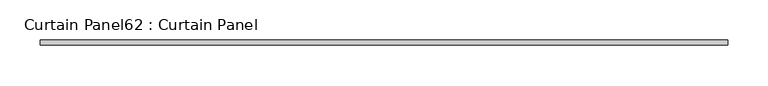
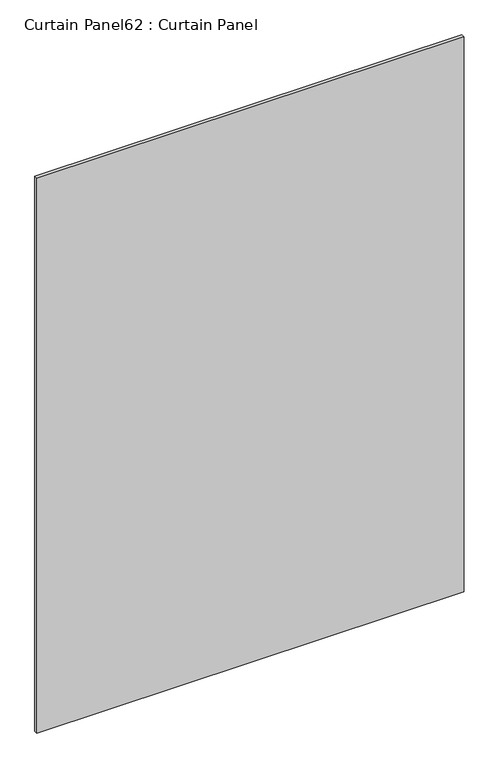
"""IFC4 building model written with IfcOpenShell, lengths in millimetres: plate geometry, Curtain Panel62 : Curtain Panel."""

import ifcopenshell
import ifcopenshell.guid

model = None  # the IFC model being written
_history = None  # IfcOwnerHistory: only IFC2X3 demands one
_inside = {}  # id of a spatial element -> (the spatial element, [elements in it])
_under = {}  # id of a project, library or spatial element -> (it, [spatial elements below it])
_declared = {}  # id of a project -> (the project, [libraries it declares])
_typed = {}  # id of a type object -> (the type object, [elements of that type])
_made_of = {}  # id of a material, layer set ... -> (it, [elements and type objects made of it])


def new_model(schema):
    """Start an empty IFC model of exactly this schema.

    Asked for "IFC4X3", IfcOpenShell would pick the latest addendum, in which some entities
    have other attributes; the version numbers below select the first issue.
    IFC2X3 requires an IfcOwnerHistory on every rooted entity: one is made here for all.
    """
    global model, _history
    if schema == "IFC4X3":
        model = ifcopenshell.file(schema_version=(4, 3, 0, 0))
    else:
        model = ifcopenshell.file(schema=schema)
    _inside.clear()
    _under.clear()
    _declared.clear()
    _typed.clear()
    _made_of.clear()
    _history = None
    if model.schema == "IFC2X3":
        org = make("IfcOrganization", Name="unknown")
        user = make(
            "IfcPersonAndOrganization",
            ThePerson=make("IfcPerson", FamilyName="unknown"),
            TheOrganization=org,
        )
        app = make(
            "IfcApplication",
            ApplicationDeveloper=org,
            Version="unknown",
            ApplicationFullName="unknown",
            ApplicationIdentifier="unknown",
        )
        _history = make(
            "IfcOwnerHistory",
            OwningUser=user,
            OwningApplication=app,
            ChangeAction="ADDED",
            CreationDate=0,
        )
    return model


def make(cls, **values):
    """One entity of the class cls with the attributes given. An attribute that is None is left unset."""
    return model.create_entity(
        cls, **{name: value for name, value in values.items() if value is not None}
    )


def rooted(cls, **values):
    """An entity with a GlobalId (a new one), such as an element, a storey or a relation."""
    return make(cls, GlobalId=ifcopenshell.guid.new(), OwnerHistory=_history, **values)


def si_unit(unit_type, name, prefix=None):
    """IfcSIUnit, for example si_unit("LENGTHUNIT", "METRE", prefix="MILLI")."""
    return make("IfcSIUnit", UnitType=unit_type, Prefix=prefix, Name=name)


def assignment(units):
    """IfcUnitAssignment: the units of a project."""
    return None if units is None else make("IfcUnitAssignment", Units=units)


def point(xyz):
    """IfcCartesianPoint."""
    return None if xyz is None else make("IfcCartesianPoint", Coordinates=xyz)


def direction(xyz):
    """IfcDirection."""
    return None if xyz is None else make("IfcDirection", DirectionRatios=xyz)


def frame(location, z_axis=None, x_axis=None):
    """IfcAxis2Placement3D, a coordinate frame: its origin and axes. An axis left out is left unset."""
    return make(
        "IfcAxis2Placement3D",
        Location=point(location),
        Axis=direction(z_axis),
        RefDirection=direction(x_axis),
    )


def origin():
    """The frame at (0, 0, 0) with its axes left unset."""
    return frame((0.0, 0.0, 0.0))


def place(relative_to, where):
    """IfcLocalPlacement: puts the frame where relative to a parent placement (None: the world)."""
    return make(
        "IfcLocalPlacement", PlacementRelTo=relative_to, RelativePlacement=where
    )


def context(
    kind, dimensions, precision=None, world=None, true_north=None, identifier=None
):
    """IfcGeometricRepresentationContext, for example the 3D "Model" context."""
    return make(
        "IfcGeometricRepresentationContext",
        ContextIdentifier=identifier,
        ContextType=kind,
        CoordinateSpaceDimension=dimensions,
        Precision=precision,
        WorldCoordinateSystem=world,
        TrueNorth=true_north,
    )


def project(units=None, contexts=None):
    """IfcProject with its units and contexts."""
    return rooted(
        "IfcProject",
        Name="project",
        RepresentationContexts=contexts,
        UnitsInContext=assignment(units),
    )


def spatial(cls, under=None, at=None, **own):
    """A site, building, storey or space (cls), placed at a placement, below another one or the project."""
    s = rooted(cls, ObjectPlacement=at, **own)
    if under is not None:
        _under.setdefault(under.id(), (under, []))[1].append(s)
    return s


def polyline(points):
    """IfcPolyline through the points."""
    return make("IfcPolyline", Points=[point(p) for p in points])


def outline(outer, holes=None, kind="AREA"):
    """IfcArbitraryClosedProfileDef: a profile drawn as a closed curve; with holes, ...WithVoids."""
    if holes is None:
        return make("IfcArbitraryClosedProfileDef", ProfileType=kind, OuterCurve=outer)
    return make(
        "IfcArbitraryProfileDefWithVoids",
        ProfileType=kind,
        OuterCurve=outer,
        InnerCurves=holes,
    )


def extrude(swept, where, along, depth):
    """IfcExtrudedAreaSolid: the profile swept, set in the frame where, extruded along a direction by depth."""
    return make(
        "IfcExtrudedAreaSolid",
        SweptArea=swept,
        Position=where,
        ExtrudedDirection=direction(along),
        Depth=depth,
    )


def shape(context_of_items, identifier, shape_type, items):
    """IfcShapeRepresentation: the items that make up one representation, for example the "Body"."""
    return make(
        "IfcShapeRepresentation",
        ContextOfItems=context_of_items,
        RepresentationIdentifier=identifier,
        RepresentationType=shape_type,
        Items=items,
    )


def source(mapping_origin, context_of_items, identifier, shape_type, items):
    """IfcRepresentationMap: a shape defined once, which mapped items show again and again."""
    return make(
        "IfcRepresentationMap",
        MappingOrigin=mapping_origin,
        MappedRepresentation=shape(context_of_items, identifier, shape_type, items),
    )


def transform(
    local_origin,
    x_axis=None,
    y_axis=None,
    z_axis=None,
    scale=None,
    scale2=None,
    scale3=None,
    uniform=True,
):
    """IfcCartesianTransformationOperator3D, or its non-uniform kind. x_axis, y_axis, z_axis: its Axis1, 2, 3."""
    if uniform:
        return make(
            "IfcCartesianTransformationOperator3D",
            Axis1=direction(x_axis),
            Axis2=direction(y_axis),
            LocalOrigin=point(local_origin),
            Scale=scale,
            Axis3=direction(z_axis),
        )
    return make(
        "IfcCartesianTransformationOperator3DnonUniform",
        Axis1=direction(x_axis),
        Axis2=direction(y_axis),
        LocalOrigin=point(local_origin),
        Scale=scale,
        Axis3=direction(z_axis),
        Scale2=scale2,
        Scale3=scale3,
    )


def mapped(mapping_source, mapping_target):
    """IfcMappedItem: shows the shape of a source again, moved by a transform."""
    return make(
        "IfcMappedItem", MappingSource=mapping_source, MappingTarget=mapping_target
    )


def made_of(thing, what):
    """Note that an element or type object is made of a material, layer set ...; save() writes the relation."""
    if what is not None:
        _made_of.setdefault(what.id(), (what, []))[1].append(thing)
    return thing


def element(
    cls,
    number,
    at=None,
    inside=None,
    cuts=None,
    type_object=None,
    material=None,
    context=None,
    identifier="Body",
    shape_type=None,
    held_by="IfcProductDefinitionShape",
    body=None,
    shapes=None,
    **own,
):
    """One element of the class cls, such as IfcWall. Its Tag is "e" and its number.

    at: its placement. inside: the storey or other place that contains it. cuts: it is an
    opening in that element (IfcRelVoidsElement). A single representation is given by context,
    identifier, shape_type and body (its items); several are given by shapes. held_by: the class
    of the entity that holds the representations. save() writes the other relations.
    """
    e = rooted(cls, Tag="e%d" % number, ObjectPlacement=at, **own)
    if body is not None:
        shapes = [shape(context, identifier, shape_type, body)]
    if shapes is not None:
        e.Representation = make(held_by, Representations=shapes)
    if inside is not None:
        _inside.setdefault(inside.id(), (inside, []))[1].append(e)
    if cuts is not None:
        rooted(
            "IfcRelVoidsElement", RelatingBuildingElement=cuts, RelatedOpeningElement=e
        )
    if type_object is not None:
        _typed.setdefault(type_object.id(), (type_object, []))[1].append(e)
    return made_of(e, material)


def aggregate(whole, parts):
    """IfcRelAggregates: a whole, such as a stair, and the parts it consists of."""
    return rooted("IfcRelAggregates", RelatingObject=whole, RelatedObjects=parts)


def save(model, path):
    """Write the relations noted so far, then the file.

    IfcRelAggregates (storeys below a building ...), IfcRelContainedInSpatialStructure (elements
    in a storey), IfcRelDefinesByType, IfcRelAssociatesMaterial and IfcRelDeclares: one each for
    every whole, place, type object, material and project.
    """
    for whole, parts in _under.values():
        aggregate(whole, parts)
    for where, things in _inside.values():
        rooted(
            "IfcRelContainedInSpatialStructure",
            RelatedElements=things,
            RelatingStructure=where,
        )
    for kind, things in _typed.values():
        rooted("IfcRelDefinesByType", RelatedObjects=things, RelatingType=kind)
    for what, things in _made_of.values():
        rooted("IfcRelAssociatesMaterial", RelatedObjects=things, RelatingMaterial=what)
    for by, libraries in _declared.values():
        rooted("IfcRelDeclares", RelatingContext=by, RelatedDefinitions=libraries)
    model.write(path)


def curtain_panel62_curtain_panel_6ce9f33e(model_context):
    return source(origin(), model_context, "Body", "SweptSolid", [
        extrude(outline(polyline([(-34687.2160723, 3064.714383), (-35538.6893244, 3064.714383), (-35538.6893244, 3071.064383), (-34687.2160723, 3071.064383), (-34687.2160723, 3064.714383)])), frame((0.0, 0.0, 1244.6), z_axis=(0.0, 0.0, 1.0), x_axis=(1.0, 0.0, 0.0)), (0.0, 0.0, 1.0), 1168.4),
    ])


if __name__ == "__main__":
    model = new_model("IFC4")
    model_context = context("Model", 3, world=origin())
    ifc_project = project(units=[si_unit("LENGTHUNIT", "METRE", prefix="MILLI")], contexts=[model_context])
    site = spatial("IfcSite", under=ifc_project)
    building = spatial("IfcBuilding", under=site)
    placement = place(None, origin())
    curtain_panel62_curtain_panel_shape = curtain_panel62_curtain_panel_6ce9f33e(model_context)
    element("IfcPlate", 1, ObjectType="Curtain Panel62 : Curtain Panel", at=placement, inside=building, context=model_context, shape_type="MappedRepresentation", body=[
        mapped(curtain_panel62_curtain_panel_shape, transform((0.0, 0.0, 0.0), x_axis=(1.0, 0.0, 0.0), y_axis=(0.0, 1.0, 0.0), z_axis=(0.0, 0.0, 1.0))),
    ])
    save(model, "model.ifc")
